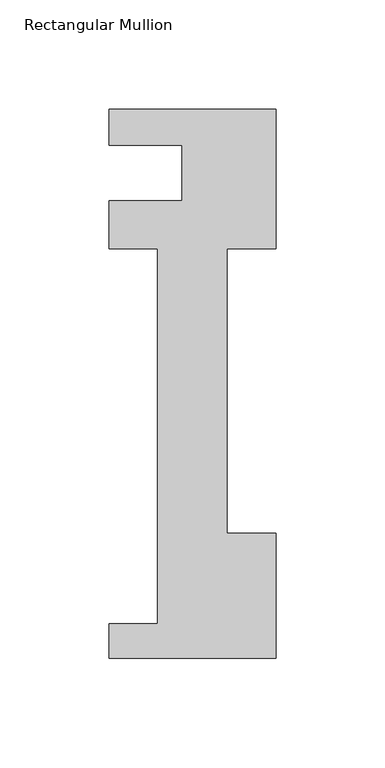
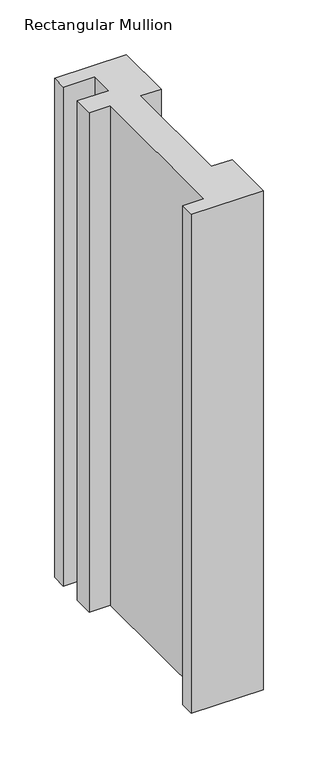
"""IFC4 building model written with IfcOpenShell, lengths in millimetres: member geometry, Rectangular Mullion."""

from ifc_helpers import new_model, si_unit, frame, origin, place, context, project, spatial, polyline, outline, extrude, source, transform, mapped, element, save


def rectangular_mullion_a28a8ee9(model_context):
    return source(origin(), model_context, "Body", "SweptSolid", [
        extrude(outline(polyline([(0.0, -221.996), (-76.2, -221.996), (-76.2, -206.121), (-53.975, -206.121), (-53.975, -34.671), (-76.2, -34.671), (-76.2, -12.7), (-42.8625, -12.7), (-42.8625, 12.7), (-76.2, 12.7), (-76.2, 29.0542503), (0.0, 29.0542503), (0.0, -34.671), (-22.225, -34.671), (-22.225, -164.7946959), (0.0, -164.7946959), (0.0, -221.996)])), frame((0.0, 0.0, -558.8), z_axis=(0.0, 0.0, 1.0), x_axis=(1.0, 0.0, 0.0)), (0.0, 0.0, 1.0), 558.8),
    ])


if __name__ == "__main__":
    model = new_model("IFC4")
    model_context = context("Model", 3, world=origin())
    ifc_project = project(units=[si_unit("LENGTHUNIT", "METRE", prefix="MILLI")], contexts=[model_context])
    site = spatial("IfcSite", under=ifc_project)
    building = spatial("IfcBuilding", under=site)
    placement = place(None, origin())
    rectangular_mullion_shape = rectangular_mullion_a28a8ee9(model_context)
    element("IfcMember", 1, ObjectType="Rectangular Mullion", at=placement, inside=building, context=model_context, shape_type="MappedRepresentation", body=[
        mapped(rectangular_mullion_shape, transform((0.0, 0.0, 0.0), x_axis=(1.0, 0.0, 0.0), y_axis=(0.0, 1.0, 0.0), z_axis=(0.0, 0.0, 1.0))),
    ])
    save(model, "model.ifc")
